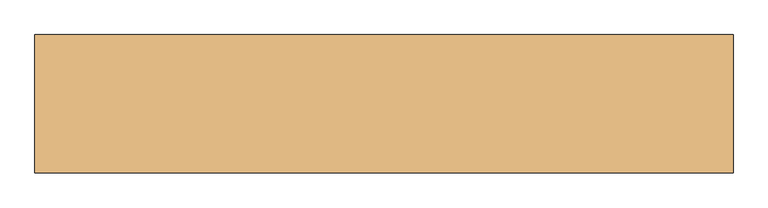
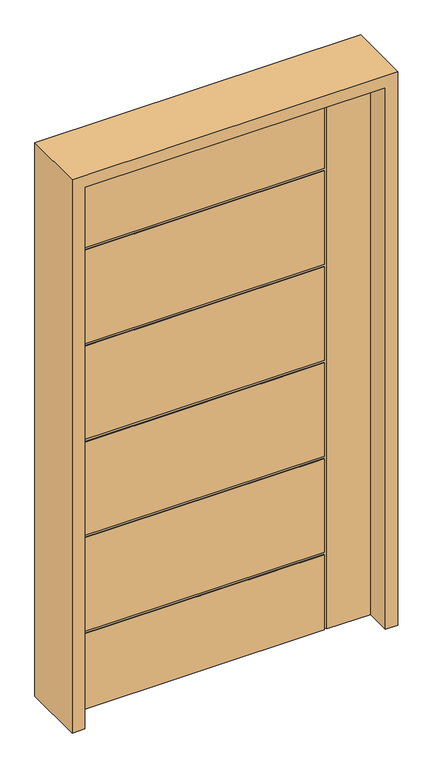
"""IFC4 building model written with IfcOpenShell, lengths in millimetres: door geometry."""

from ifc_helpers import new_model, si_unit, frame, origin, place, context, project, spatial, polyline, outline, extrude, faceted_brep, source, transform, mapped, element, save


def door_8a55998d(model_context):
    return source(origin(), model_context, "Body", "SolidModel", [
        faceted_brep([(-533.4, -22.225, 0.0), (-533.4, 22.225, 0.0), (369.824, 22.225, 0.0), (369.824, 18.923, 0.0), (379.73, 18.923, 0.0), (379.73, 22.225, 0.0), (533.4, 22.225, 0.0), (533.4, -22.225, 0.0), (379.73, -22.225, 0.0), (379.73, -18.923, 0.0), (369.824, -18.923, 0.0), (369.824, -22.225, 0.0), (-533.4, -22.225, 2032.0), (-533.4, 22.225, 2032.0), (-533.4, 22.225, 1731.518), (-533.4, 18.923, 1731.518), (-533.4, 18.923, 1721.612), (-533.4, 22.225, 1721.612), (-533.4, 22.225, 1371.6), (-533.4, 18.923, 1371.6), (-533.4, 18.923, 1361.694), (-533.4, 22.225, 1361.694), (-533.4, 22.225, 1011.682), (-533.4, 18.923, 1011.682), (-533.4, 18.923, 1001.776), (-533.4, 22.225, 1001.776), (-533.4, 22.225, 651.764), (-533.4, 18.923, 651.764), (-533.4, 18.923, 641.858), (-533.4, 22.225, 641.858), (-533.4, 22.225, 291.846), (-533.4, 18.923, 291.846), (-533.4, 18.923, 281.94), (-533.4, 22.225, 281.94), (-533.4, -22.225, 281.94), (-533.4, -18.923, 281.94), (-533.4, -18.923, 291.846), (-533.4, -22.225, 291.846), (-533.4, -22.225, 641.858), (-533.4, -18.923, 641.858), (-533.4, -18.923, 651.764), (-533.4, -22.225, 651.764), (-533.4, -22.225, 1001.776), (-533.4, -18.923, 1001.776), (-533.4, -18.923, 1011.682), (-533.4, -22.225, 1011.682), (-533.4, -22.225, 1361.694), (-533.4, -18.923, 1361.694), (-533.4, -18.923, 1371.6), (-533.4, -22.225, 1371.6), (-533.4, -22.225, 1721.612), (-533.4, -18.923, 1721.612), (-533.4, -18.923, 1731.518), (-533.4, -22.225, 1731.518), (369.824, 22.225, 281.94), (369.824, 22.225, 1721.612), (369.824, 22.225, 1371.6), (369.824, 22.225, 1361.694), (369.824, 22.225, 1011.682), (369.824, 22.225, 1001.776), (369.824, 22.225, 651.764), (369.824, 22.225, 641.858), (369.824, 22.225, 291.846), (533.4, 22.225, 2032.0), (379.73, 22.225, 2032.0), (369.824, 22.225, 2032.0), (369.824, 22.225, 1731.518), (369.824, 18.923, 281.94), (369.824, 18.923, 291.846), (369.824, 18.923, 641.858), (369.824, 18.923, 651.764), (369.824, 18.923, 1001.776), (369.824, 18.923, 1011.682), (369.824, 18.923, 1361.694), (369.824, 18.923, 1371.6), (369.824, 18.923, 1721.612), (369.824, 18.923, 1731.518), (369.824, 18.923, 2032.0), (379.73, 18.923, 2032.0), (533.4, -22.225, 2032.0), (369.824, -22.225, 281.94), (379.73, -22.225, 2032.0), (369.824, -22.225, 291.846), (369.824, -22.225, 641.858), (369.824, -22.225, 651.764), (369.824, -22.225, 1001.776), (369.824, -22.225, 1011.682), (369.824, -22.225, 1361.694), (369.824, -22.225, 1371.6), (369.824, -22.225, 1721.612), (369.824, -22.225, 2032.0), (369.824, -22.225, 1731.518), (369.824, -18.923, 2032.0), (379.73, -18.923, 2032.0), (369.824, -18.923, 291.846), (369.824, -18.923, 281.94), (369.824, -18.923, 1731.518), (369.824, -18.923, 1721.612), (369.824, -18.923, 1371.6), (369.824, -18.923, 1361.694), (369.824, -18.923, 1011.682), (369.824, -18.923, 1001.776), (369.824, -18.923, 651.764), (369.824, -18.923, 641.858)], [[[0, 1, 2, 3, 4, 5, 6, 7, 8, 9, 10, 11]], [[12, 13, 14, 15, 16, 17, 18, 19, 20, 21, 22, 23, 24, 25, 26, 27, 28, 29, 30, 31, 32, 33, 1, 0, 34, 35, 36, 37, 38, 39, 40, 41, 42, 43, 44, 45, 46, 47, 48, 49, 50, 51, 52, 53]], [[2, 1, 33, 54]], [[18, 17, 55, 56]], [[22, 21, 57, 58]], [[26, 25, 59, 60]], [[30, 29, 61, 62]], [[63, 6, 5, 64]], [[13, 65, 66, 14]], [[67, 3, 2, 54]], [[68, 69, 28, 27, 70, 71, 24, 23, 72, 73, 20, 19, 74, 75, 16, 15, 76, 77, 78, 4, 3, 67, 32, 31]], [[63, 79, 7, 6]], [[0, 11, 80, 34]], [[7, 79, 81, 8]], [[38, 37, 82, 83]], [[42, 41, 84, 85]], [[46, 45, 86, 87]], [[50, 49, 88, 89]], [[90, 12, 53, 91]], [[32, 67, 54, 33]], [[28, 69, 61, 29]], [[69, 68, 62, 61]], [[68, 31, 30, 62]], [[24, 71, 59, 25]], [[71, 70, 60, 59]], [[70, 27, 26, 60]], [[73, 72, 58, 57]], [[72, 23, 22, 58]], [[79, 63, 64, 78, 77, 65, 13, 12, 90, 92, 93, 81]], [[20, 73, 57, 21]], [[74, 19, 18, 56]], [[75, 74, 56, 55]], [[16, 75, 55, 17]], [[76, 15, 14, 66]], [[77, 76, 66, 65]], [[4, 78, 64, 5]], [[93, 9, 8, 81]], [[94, 36, 35, 95, 10, 9, 93, 92, 96, 52, 51, 97, 98, 48, 47, 99, 100, 44, 43, 101, 102, 40, 39, 103]], [[10, 95, 80, 11]], [[95, 35, 34, 80]], [[36, 94, 82, 37]], [[94, 103, 83, 82]], [[103, 39, 38, 83]], [[40, 102, 84, 41]], [[102, 101, 85, 84]], [[101, 43, 42, 85]], [[44, 100, 86, 45]], [[100, 99, 87, 86]], [[99, 47, 46, 87]], [[48, 98, 88, 49]], [[98, 97, 89, 88]], [[97, 51, 50, 89]], [[52, 96, 91, 53]], [[96, 92, 90, 91]]]),
        extrude(outline(polyline([(0.0, -577.85), (0.0, -533.4), (2032.0, -533.4), (2032.0, 533.4), (0.0, 533.4), (0.0, 577.85), (2076.45, 577.85), (2076.45, -577.85), (0.0, -577.85)])), frame((0.0, -114.3, 0.0), z_axis=(0.0, 1.0, 0.0), x_axis=(0.0, 0.0, 1.0)), (0.0, 0.0, 1.0), 228.6),
    ])


if __name__ == "__main__":
    model = new_model("IFC4")
    model_context = context("Model", 3, world=origin())
    ifc_project = project(units=[si_unit("LENGTHUNIT", "METRE", prefix="MILLI")], contexts=[model_context])
    site = spatial("IfcSite", under=ifc_project)
    building = spatial("IfcBuilding", under=site)
    placement = place(None, origin())
    door_shape = door_8a55998d(model_context)
    element("IfcDoor", 1, at=placement, inside=building, context=model_context, shape_type="MappedRepresentation", body=[
        mapped(door_shape, transform((0.0, 0.0, 0.0), x_axis=(1.0, 0.0, 0.0), y_axis=(0.0, 1.0, 0.0), z_axis=(0.0, 0.0, 1.0))),
    ])
    save(model, "model.ifc")
